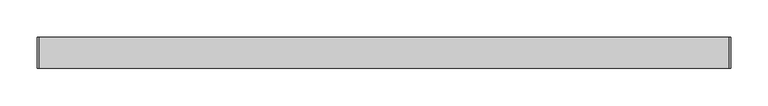
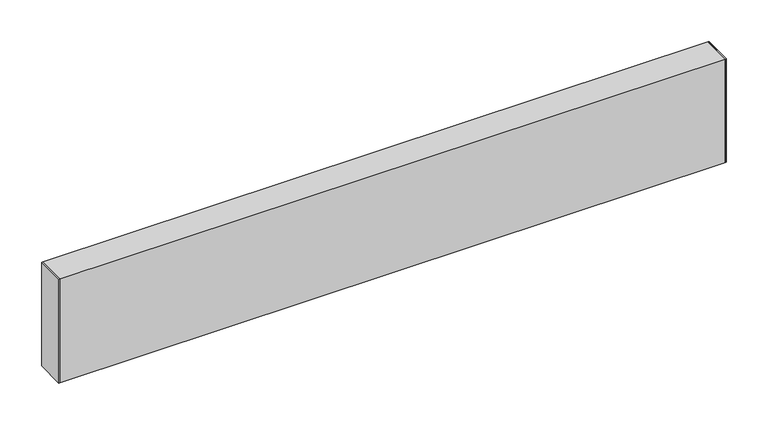
"""IFC4 building model written with IfcOpenShell, lengths in millimetres: proxy geometry."""

from ifc_helpers import new_model, si_unit, frame, origin, origin_with_axes, place, context, project, spatial, polyline, outline, extrude, source, transform, mapped, element, save


def generic_models_973dd1c0(model_context):
    return source(origin(), model_context, "Body", "SweptSolid", [
        extrude(outline(polyline([(0.0, -20.64), (0.0, 20.64), (1.651, 20.64), (1.651, -20.64), (0.0, -20.64)])), origin_with_axes(), (0.0, 0.0, 1.0), 152.4),
        extrude(outline(polyline([(927.1, -20.64), (925.449, -20.64), (925.449, 20.64), (927.1, 20.64), (927.1, -20.64)])), origin_with_axes(), (0.0, 0.0, 1.0), 152.4),
        extrude(outline(polyline([(-20.64, 0.0), (-20.64, 152.4), (20.64, 152.4), (20.64, 0.0), (-20.64, 0.0)]), holes=[polyline([(18.99, 1.95), (18.99, 150.45), (-18.99, 150.45), (-18.99, 1.95), (18.99, 1.95)])]), frame((1.651, 0.0, 0.0), z_axis=(1.0, 0.0, 0.0), x_axis=(0.0, 1.0, 0.0)), (0.0, 0.0, 1.0), 923.798),
    ])


if __name__ == "__main__":
    model = new_model("IFC4")
    model_context = context("Model", 3, world=origin())
    ifc_project = project(units=[si_unit("LENGTHUNIT", "METRE", prefix="MILLI")], contexts=[model_context])
    site = spatial("IfcSite", under=ifc_project)
    building = spatial("IfcBuilding", under=site)
    placement = place(None, origin())
    generic_models_shape = generic_models_973dd1c0(model_context)
    element("IfcBuildingElementProxy", 1, Name="Generic Models", at=placement, inside=building, context=model_context, shape_type="MappedRepresentation", body=[
        mapped(generic_models_shape, transform((0.0, 0.0, 0.0), x_axis=(1.0, 0.0, 0.0), y_axis=(0.0, 1.0, 0.0), z_axis=(0.0, 0.0, 1.0))),
    ])
    save(model, "model.ifc")
